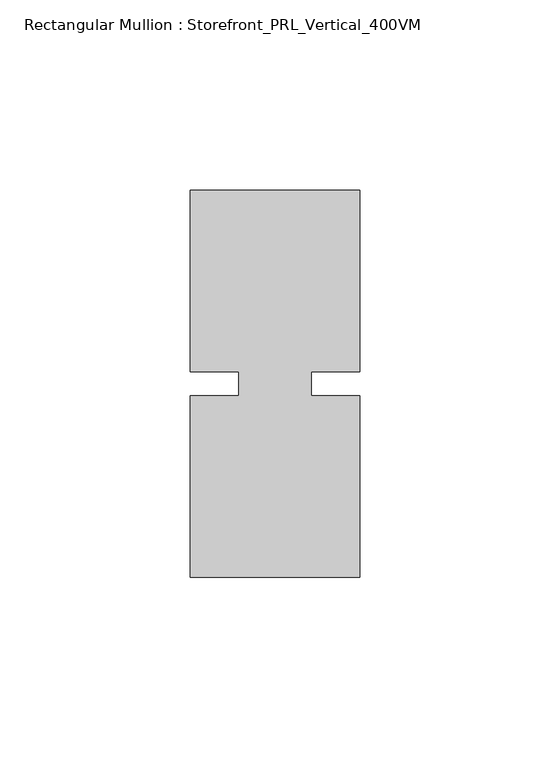
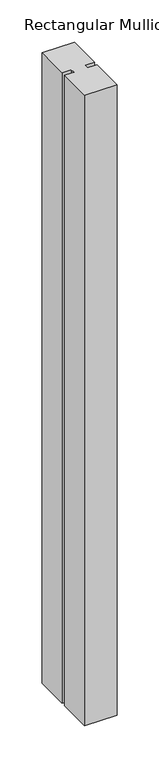
"""IFC4 building model written with IfcOpenShell, lengths in millimetres: member geometry, Rectangular Mullion : Storefront_PRL_Vertical_400VM."""

from ifc_helpers import new_model, si_unit, frame, origin, place, context, project, spatial, polyline, outline, extrude, source, transform, mapped, element, save


def rectangular_mullion_storefront_prl_vertical_400vm_ae77cbf3(model_context):
    return source(origin(), model_context, "Body", "SweptSolid", [
        extrude(outline(polyline([(-9.525, -3.175), (-9.525, 3.175), (-22.225, 3.175), (-22.225, 50.8), (22.225, 50.8), (22.225, 3.175), (9.525, 3.175), (9.525, -3.175), (22.225, -3.175), (22.225, -50.8), (-22.225, -50.8), (-22.225, -3.175), (-9.525, -3.175)])), frame((0.0, 0.0, -914.4), z_axis=(0.0, 0.0, 1.0), x_axis=(1.0, 0.0, 0.0)), (0.0, 0.0, 1.0), 914.4),
    ])


if __name__ == "__main__":
    model = new_model("IFC4")
    model_context = context("Model", 3, world=origin())
    ifc_project = project(units=[si_unit("LENGTHUNIT", "METRE", prefix="MILLI")], contexts=[model_context])
    site = spatial("IfcSite", under=ifc_project)
    building = spatial("IfcBuilding", under=site)
    placement = place(None, origin())
    rectangular_mullion_storefront_prl_vertical_400vm_shape = rectangular_mullion_storefront_prl_vertical_400vm_ae77cbf3(model_context)
    element("IfcMember", 1, ObjectType="Rectangular Mullion : Storefront_PRL_Vertical_400VM", at=placement, inside=building, context=model_context, shape_type="MappedRepresentation", body=[
        mapped(rectangular_mullion_storefront_prl_vertical_400vm_shape, transform((0.0, 0.0, 0.0), x_axis=(1.0, 0.0, 0.0), y_axis=(0.0, 1.0, 0.0), z_axis=(0.0, 0.0, 1.0))),
    ])
    save(model, "model.ifc")
